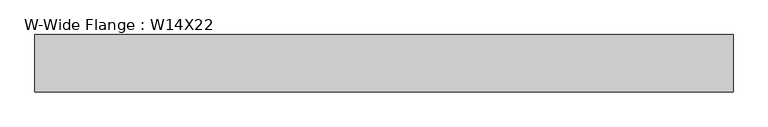
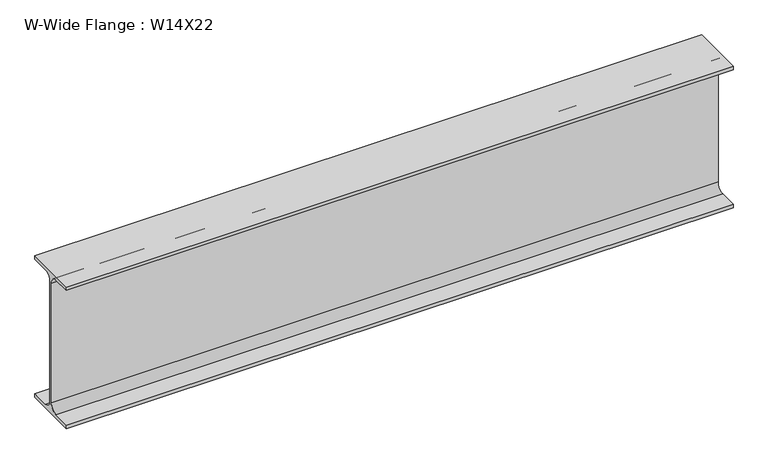
"""IFC4 building model written with IfcOpenShell, lengths in millimetres: beam geometry, W-Wide Flange : W14X22."""

from ifc_helpers import new_model, si_unit, point, frame, frame_2d, origin, place, context, project, spatial, polyline, circle_curve, trimmed, segment, composite_curve, outline, extrude, source, transform, mapped, element, save


def w_wide_flange_w14x22_47f34307(model_context):
    return source(origin(), model_context, "Body", "SweptSolid", [
        extrude(outline(composite_curve([segment(polyline([(63.5, -165.4472656), (63.5, -173.9800781), (-63.5, -173.9800781), (-63.5, -165.4472656), (-21.3816406, -165.4472656)]), True, "CONTINUOUS"), segment(trimmed(circle_curve(frame_2d((-21.3816406, -146.9925781)), 18.4546875), [point((-21.3816406, -165.4472656))], [point((-2.9269531, -146.9925781))], True, "CARTESIAN"), True, "CONTINUOUS"), segment(polyline([(-2.9269531, -146.9925781), (-2.9269531, 146.9925781)]), True, "CONTINUOUS"), segment(trimmed(circle_curve(frame_2d((-21.3816406, 146.9925781)), 18.4546875), [point((-2.9269531, 146.9925781))], [point((-21.3816406, 165.4472656))], True, "CARTESIAN"), True, "CONTINUOUS"), segment(polyline([(-21.3816406, 165.4472656), (-63.5, 165.4472656), (-63.5, 173.9800781), (63.5, 173.9800781), (63.5, 165.4472656), (21.3816406, 165.4472656)]), True, "CONTINUOUS"), segment(trimmed(circle_curve(frame_2d((21.3816406, 146.9925781)), 18.4546875), [point((21.3816406, 165.4472656))], [point((2.9269531, 146.9925781))], True, "CARTESIAN"), True, "CONTINUOUS"), segment(polyline([(2.9269531, 146.9925781), (2.9269531, -146.9925781)]), True, "CONTINUOUS"), segment(trimmed(circle_curve(frame_2d((21.3816406, -146.9925781)), 18.4546875), [point((2.9269531, -146.9925781))], [point((21.3816406, -165.4472656))], True, "CARTESIAN"), True, "CONTINUOUS"), segment(polyline([(21.3816406, -165.4472656), (63.5, -165.4472656)]), True, "CONTINUOUS")], self_intersect=False)), frame((-774.7, 0.0, 0.0), z_axis=(1.0, 0.0, 0.0), x_axis=(0.0, 1.0, 0.0)), (0.0, 0.0, 1.0), 1549.4),
    ])


if __name__ == "__main__":
    model = new_model("IFC4")
    model_context = context("Model", 3, world=origin())
    ifc_project = project(units=[si_unit("LENGTHUNIT", "METRE", prefix="MILLI")], contexts=[model_context])
    site = spatial("IfcSite", under=ifc_project)
    building = spatial("IfcBuilding", under=site)
    placement = place(None, origin())
    w_wide_flange_w14x22_shape = w_wide_flange_w14x22_47f34307(model_context)
    element("IfcBeam", 1, ObjectType="W-Wide Flange : W14X22", at=placement, inside=building, context=model_context, shape_type="MappedRepresentation", body=[
        mapped(w_wide_flange_w14x22_shape, transform((0.0, 0.0, 0.0), x_axis=(1.0, 0.0, 0.0), y_axis=(0.0, 1.0, 0.0), z_axis=(0.0, 0.0, 1.0))),
    ])
    save(model, "model.ifc")
